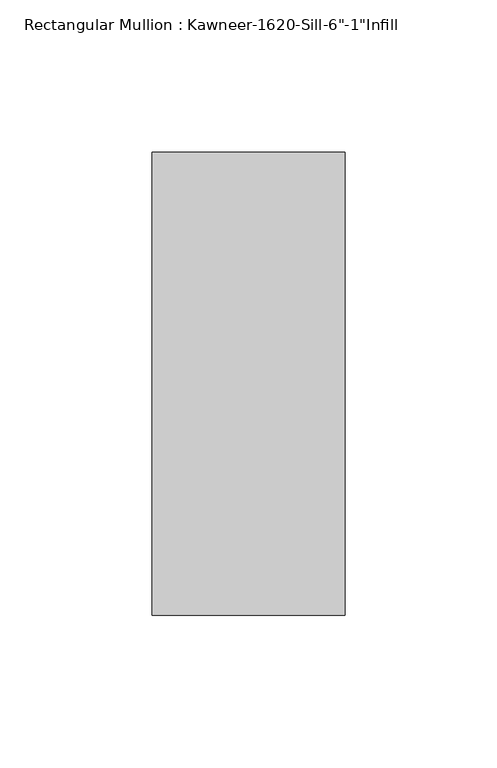
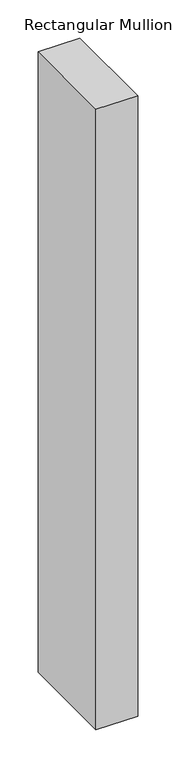
"""IFC4 building model written with IfcOpenShell, lengths in millimetres: member geometry."""

import ifcopenshell
import ifcopenshell.guid

model = None  # the IFC model being written
_history = None  # IfcOwnerHistory: only IFC2X3 demands one
_inside = {}  # id of a spatial element -> (the spatial element, [elements in it])
_under = {}  # id of a project, library or spatial element -> (it, [spatial elements below it])
_declared = {}  # id of a project -> (the project, [libraries it declares])
_typed = {}  # id of a type object -> (the type object, [elements of that type])
_made_of = {}  # id of a material, layer set ... -> (it, [elements and type objects made of it])


def new_model(schema):
    """Start an empty IFC model of exactly this schema.

    Asked for "IFC4X3", IfcOpenShell would pick the latest addendum, in which some entities
    have other attributes; the version numbers below select the first issue.
    IFC2X3 requires an IfcOwnerHistory on every rooted entity: one is made here for all.
    """
    global model, _history
    if schema == "IFC4X3":
        model = ifcopenshell.file(schema_version=(4, 3, 0, 0))
    else:
        model = ifcopenshell.file(schema=schema)
    _inside.clear()
    _under.clear()
    _declared.clear()
    _typed.clear()
    _made_of.clear()
    _history = None
    if model.schema == "IFC2X3":
        org = make("IfcOrganization", Name="unknown")
        user = make(
            "IfcPersonAndOrganization",
            ThePerson=make("IfcPerson", FamilyName="unknown"),
            TheOrganization=org,
        )
        app = make(
            "IfcApplication",
            ApplicationDeveloper=org,
            Version="unknown",
            ApplicationFullName="unknown",
            ApplicationIdentifier="unknown",
        )
        _history = make(
            "IfcOwnerHistory",
            OwningUser=user,
            OwningApplication=app,
            ChangeAction="ADDED",
            CreationDate=0,
        )
    return model


def make(cls, **values):
    """One entity of the class cls with the attributes given. An attribute that is None is left unset."""
    return model.create_entity(
        cls, **{name: value for name, value in values.items() if value is not None}
    )


def rooted(cls, **values):
    """An entity with a GlobalId (a new one), such as an element, a storey or a relation."""
    return make(cls, GlobalId=ifcopenshell.guid.new(), OwnerHistory=_history, **values)


def si_unit(unit_type, name, prefix=None):
    """IfcSIUnit, for example si_unit("LENGTHUNIT", "METRE", prefix="MILLI")."""
    return make("IfcSIUnit", UnitType=unit_type, Prefix=prefix, Name=name)


def assignment(units):
    """IfcUnitAssignment: the units of a project."""
    return None if units is None else make("IfcUnitAssignment", Units=units)


def point(xyz):
    """IfcCartesianPoint."""
    return None if xyz is None else make("IfcCartesianPoint", Coordinates=xyz)


def direction(xyz):
    """IfcDirection."""
    return None if xyz is None else make("IfcDirection", DirectionRatios=xyz)


def frame(location, z_axis=None, x_axis=None):
    """IfcAxis2Placement3D, a coordinate frame: its origin and axes. An axis left out is left unset."""
    return make(
        "IfcAxis2Placement3D",
        Location=point(location),
        Axis=direction(z_axis),
        RefDirection=direction(x_axis),
    )


def origin():
    """The frame at (0, 0, 0) with its axes left unset."""
    return frame((0.0, 0.0, 0.0))


def place(relative_to, where):
    """IfcLocalPlacement: puts the frame where relative to a parent placement (None: the world)."""
    return make(
        "IfcLocalPlacement", PlacementRelTo=relative_to, RelativePlacement=where
    )


def context(
    kind, dimensions, precision=None, world=None, true_north=None, identifier=None
):
    """IfcGeometricRepresentationContext, for example the 3D "Model" context."""
    return make(
        "IfcGeometricRepresentationContext",
        ContextIdentifier=identifier,
        ContextType=kind,
        CoordinateSpaceDimension=dimensions,
        Precision=precision,
        WorldCoordinateSystem=world,
        TrueNorth=true_north,
    )


def project(units=None, contexts=None):
    """IfcProject with its units and contexts."""
    return rooted(
        "IfcProject",
        Name="project",
        RepresentationContexts=contexts,
        UnitsInContext=assignment(units),
    )


def spatial(cls, under=None, at=None, **own):
    """A site, building, storey or space (cls), placed at a placement, below another one or the project."""
    s = rooted(cls, ObjectPlacement=at, **own)
    if under is not None:
        _under.setdefault(under.id(), (under, []))[1].append(s)
    return s


def polyline(points):
    """IfcPolyline through the points."""
    return make("IfcPolyline", Points=[point(p) for p in points])


def outline(outer, holes=None, kind="AREA"):
    """IfcArbitraryClosedProfileDef: a profile drawn as a closed curve; with holes, ...WithVoids."""
    if holes is None:
        return make("IfcArbitraryClosedProfileDef", ProfileType=kind, OuterCurve=outer)
    return make(
        "IfcArbitraryProfileDefWithVoids",
        ProfileType=kind,
        OuterCurve=outer,
        InnerCurves=holes,
    )


def extrude(swept, where, along, depth):
    """IfcExtrudedAreaSolid: the profile swept, set in the frame where, extruded along a direction by depth."""
    return make(
        "IfcExtrudedAreaSolid",
        SweptArea=swept,
        Position=where,
        ExtrudedDirection=direction(along),
        Depth=depth,
    )


def shape(context_of_items, identifier, shape_type, items):
    """IfcShapeRepresentation: the items that make up one representation, for example the "Body"."""
    return make(
        "IfcShapeRepresentation",
        ContextOfItems=context_of_items,
        RepresentationIdentifier=identifier,
        RepresentationType=shape_type,
        Items=items,
    )


def source(mapping_origin, context_of_items, identifier, shape_type, items):
    """IfcRepresentationMap: a shape defined once, which mapped items show again and again."""
    return make(
        "IfcRepresentationMap",
        MappingOrigin=mapping_origin,
        MappedRepresentation=shape(context_of_items, identifier, shape_type, items),
    )


def transform(
    local_origin,
    x_axis=None,
    y_axis=None,
    z_axis=None,
    scale=None,
    scale2=None,
    scale3=None,
    uniform=True,
):
    """IfcCartesianTransformationOperator3D, or its non-uniform kind. x_axis, y_axis, z_axis: its Axis1, 2, 3."""
    if uniform:
        return make(
            "IfcCartesianTransformationOperator3D",
            Axis1=direction(x_axis),
            Axis2=direction(y_axis),
            LocalOrigin=point(local_origin),
            Scale=scale,
            Axis3=direction(z_axis),
        )
    return make(
        "IfcCartesianTransformationOperator3DnonUniform",
        Axis1=direction(x_axis),
        Axis2=direction(y_axis),
        LocalOrigin=point(local_origin),
        Scale=scale,
        Axis3=direction(z_axis),
        Scale2=scale2,
        Scale3=scale3,
    )


def mapped(mapping_source, mapping_target):
    """IfcMappedItem: shows the shape of a source again, moved by a transform."""
    return make(
        "IfcMappedItem", MappingSource=mapping_source, MappingTarget=mapping_target
    )


def made_of(thing, what):
    """Note that an element or type object is made of a material, layer set ...; save() writes the relation."""
    if what is not None:
        _made_of.setdefault(what.id(), (what, []))[1].append(thing)
    return thing


def element(
    cls,
    number,
    at=None,
    inside=None,
    cuts=None,
    type_object=None,
    material=None,
    context=None,
    identifier="Body",
    shape_type=None,
    held_by="IfcProductDefinitionShape",
    body=None,
    shapes=None,
    **own,
):
    """One element of the class cls, such as IfcWall. Its Tag is "e" and its number.

    at: its placement. inside: the storey or other place that contains it. cuts: it is an
    opening in that element (IfcRelVoidsElement). A single representation is given by context,
    identifier, shape_type and body (its items); several are given by shapes. held_by: the class
    of the entity that holds the representations. save() writes the other relations.
    """
    e = rooted(cls, Tag="e%d" % number, ObjectPlacement=at, **own)
    if body is not None:
        shapes = [shape(context, identifier, shape_type, body)]
    if shapes is not None:
        e.Representation = make(held_by, Representations=shapes)
    if inside is not None:
        _inside.setdefault(inside.id(), (inside, []))[1].append(e)
    if cuts is not None:
        rooted(
            "IfcRelVoidsElement", RelatingBuildingElement=cuts, RelatedOpeningElement=e
        )
    if type_object is not None:
        _typed.setdefault(type_object.id(), (type_object, []))[1].append(e)
    return made_of(e, material)


def aggregate(whole, parts):
    """IfcRelAggregates: a whole, such as a stair, and the parts it consists of."""
    return rooted("IfcRelAggregates", RelatingObject=whole, RelatedObjects=parts)


def save(model, path):
    """Write the relations noted so far, then the file.

    IfcRelAggregates (storeys below a building ...), IfcRelContainedInSpatialStructure (elements
    in a storey), IfcRelDefinesByType, IfcRelAssociatesMaterial and IfcRelDeclares: one each for
    every whole, place, type object, material and project.
    """
    for whole, parts in _under.values():
        aggregate(whole, parts)
    for where, things in _inside.values():
        rooted(
            "IfcRelContainedInSpatialStructure",
            RelatedElements=things,
            RelatingStructure=where,
        )
    for kind, things in _typed.values():
        rooted("IfcRelDefinesByType", RelatedObjects=things, RelatingType=kind)
    for what, things in _made_of.values():
        rooted("IfcRelAssociatesMaterial", RelatedObjects=things, RelatingMaterial=what)
    for by, libraries in _declared.values():
        rooted("IfcRelDeclares", RelatingContext=by, RelatedDefinitions=libraries)
    model.write(path)


def member_a7b43344(model_context):
    return source(origin(), model_context, "Body", "SweptSolid", [
        extrude(outline(polyline([(-63.5, 38.1), (0.0, 38.1), (0.0, -114.3), (-63.5, -114.3), (-63.5, 38.1)])), frame((0.0, 0.0, -996.8098051), z_axis=(0.0, 0.0, 1.0), x_axis=(1.0, 0.0, 0.0)), (0.0, 0.0, 1.0), 996.8098051),
    ])


if __name__ == "__main__":
    model = new_model("IFC4")
    model_context = context("Model", 3, world=origin())
    ifc_project = project(units=[si_unit("LENGTHUNIT", "METRE", prefix="MILLI")], contexts=[model_context])
    site = spatial("IfcSite", under=ifc_project)
    building = spatial("IfcBuilding", under=site)
    placement = place(None, origin())
    member_shape = member_a7b43344(model_context)
    element("IfcMember", 1, ObjectType="Rectangular Mullion : Kawneer-1620-Sill-6\"-1\"Infill", at=placement, inside=building, context=model_context, shape_type="MappedRepresentation", body=[
        mapped(member_shape, transform((0.0, 0.0, 0.0), x_axis=(1.0, 0.0, 0.0), y_axis=(0.0, 1.0, 0.0), z_axis=(0.0, 0.0, 1.0))),
    ])
    save(model, "model.ifc")
